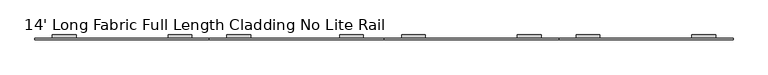
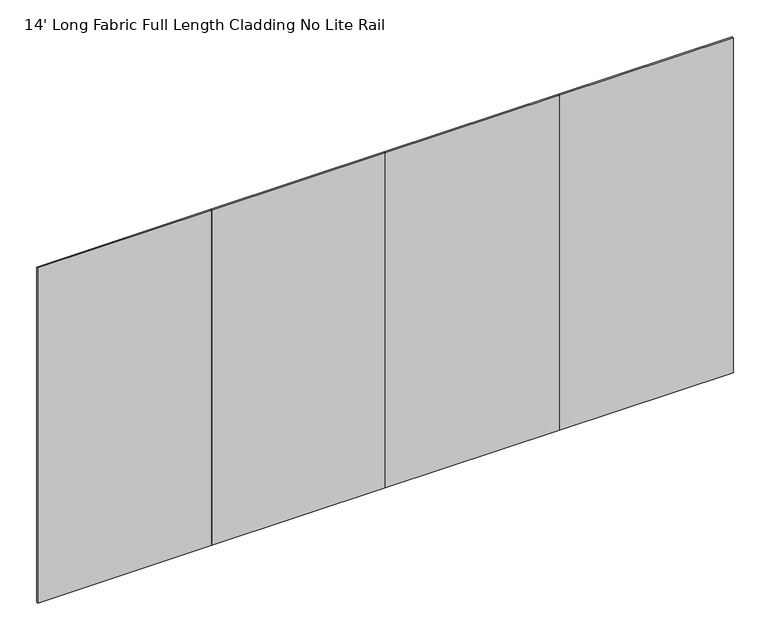
"""IFC4 building model written with IfcOpenShell, lengths in millimetres: furniture geometry, 14' Long Fabric Full Length Cladding No Lite Rail."""

from ifc_helpers import new_model, si_unit, frame, origin, place, context, project, spatial, polyline, outline, extrude, source, transform, mapped, element, save


def furniture_14_long_fabric_full_length_cladding_no_lite_rail_b571e47a(model_context):
    return source(origin(), model_context, "Body", "SweptSolid", [
        extrude(outline(polyline([(3200.4, -4.7752), (2133.6, -4.7752), (2133.6, 4.7498), (3200.4, 4.7498), (3200.4, -4.7752)])), frame((0.0, 0.0, 12.7), z_axis=(0.0, 0.0, 1.0), x_axis=(1.0, 0.0, 0.0)), (0.0, 0.0, 1.0), 2173.6010468),
        extrude(outline(polyline([(2133.6, -4.7752), (1066.8, -4.7752), (1066.8, 4.7498), (2133.6, 4.7498), (2133.6, -4.7752)])), frame((0.0, 0.0, 12.7), z_axis=(0.0, 0.0, 1.0), x_axis=(1.0, 0.0, 0.0)), (0.0, 0.0, 1.0), 2173.6010468),
        extrude(outline(polyline([(4267.2, -4.7752), (3200.4, -4.7752), (3200.4, 4.7498), (4267.2, 4.7498), (4267.2, -4.7752)])), frame((0.0, 0.0, 12.7), z_axis=(0.0, 0.0, 1.0), x_axis=(1.0, 0.0, 0.0)), (0.0, 0.0, 1.0), 2173.6010468),
        extrude(outline(polyline([(1066.8, -4.7752), (0.0, -4.7752), (0.0, 4.7498), (1066.8, 4.7498), (1066.8, -4.7752)])), frame((0.0, 0.0, 12.7), z_axis=(0.0, 0.0, 1.0), x_axis=(1.0, 0.0, 0.0)), (0.0, 0.0, 1.0), 2173.6010468),
        extrude(outline(polyline([(4.7498, 2116.3226334), (24.8177997, 2116.3226334), (24.8177997, 2115.4106251), (5.6618003, 2115.4106251), (5.6618003, 2083.5286322), (24.8177997, 2083.5286322), (24.8177997, 2079.4995474), (5.6618003, 2079.4995474), (5.6618003, 2013.998531), (4.7498, 2013.998531), (4.7498, 2116.3226334)])), frame((2240.6799829, 0.0, 0.0), z_axis=(1.0, 0.0, 0.0), x_axis=(0.0, 1.0, 0.0)), (0.0, 0.0, 1.0), 144.4200002),
        extrude(outline(polyline([(4.7498, 2116.3226334), (24.8177997, 2116.3226334), (24.8177997, 2115.4106251), (5.6618003, 2115.4106251), (5.6618003, 2083.5286322), (24.8177997, 2083.5286322), (24.8177997, 2079.4995474), (5.6618003, 2079.4995474), (5.6618003, 2013.998531), (4.7498, 2013.998531), (4.7498, 2116.3226334)])), frame((2948.900017, 0.0, 0.0), z_axis=(1.0, 0.0, 0.0), x_axis=(0.0, 1.0, 0.0)), (0.0, 0.0, 1.0), 144.4200002),
        extrude(outline(polyline([(4.7498, 2116.3226334), (24.8177997, 2116.3226334), (24.8177997, 2115.4106251), (5.6618003, 2115.4106251), (5.6618003, 2083.5286322), (24.8177997, 2083.5286322), (24.8177997, 2079.4995474), (5.6618003, 2079.4995474), (5.6618003, 2013.998531), (4.7498, 2013.998531), (4.7498, 2116.3226334)])), frame((3307.4799829, 0.0, 0.0), z_axis=(1.0, 0.0, 0.0), x_axis=(0.0, 1.0, 0.0)), (0.0, 0.0, 1.0), 144.4200002),
        extrude(outline(polyline([(4.7498, 2116.3226334), (24.8177997, 2116.3226334), (24.8177997, 2115.4106251), (5.6618003, 2115.4106251), (5.6618003, 2083.5286322), (24.8177997, 2083.5286322), (24.8177997, 2079.4995474), (5.6618003, 2079.4995474), (5.6618003, 2013.998531), (4.7498, 2013.998531), (4.7498, 2116.3226334)])), frame((1863.050017, 0.0, 0.0), z_axis=(1.0, 0.0, 0.0), x_axis=(0.0, 1.0, 0.0)), (0.0, 0.0, 1.0), 144.4200002),
        extrude(outline(polyline([(4.7498, 2116.3226334), (24.8177997, 2116.3226334), (24.8177997, 2115.4106251), (5.6618003, 2115.4106251), (5.6618003, 2083.5286322), (24.8177997, 2083.5286322), (24.8177997, 2079.4995474), (5.6618003, 2079.4995474), (5.6618003, 2013.998531), (4.7498, 2013.998531), (4.7498, 2116.3226334)])), frame((1173.8799829, 0.0, 0.0), z_axis=(1.0, 0.0, 0.0), x_axis=(0.0, 1.0, 0.0)), (0.0, 0.0, 1.0), 144.4200002),
        extrude(outline(polyline([(4.7498, 2116.3226334), (24.8177997, 2116.3226334), (24.8177997, 2115.4106251), (5.6618003, 2115.4106251), (5.6618003, 2083.5286322), (24.8177997, 2083.5286322), (24.8177997, 2079.4995474), (5.6618003, 2079.4995474), (5.6618003, 2013.998531), (4.7498, 2013.998531), (4.7498, 2116.3226334)])), frame((815.300017, 0.0, 0.0), z_axis=(1.0, 0.0, 0.0), x_axis=(0.0, 1.0, 0.0)), (0.0, 0.0, 1.0), 144.4200002),
        extrude(outline(polyline([(4.7498, 2116.3245525), (24.8177997, 2116.3245525), (24.8177997, 2115.4125443), (5.6618003, 2115.4125443), (5.6618003, 2083.5305513), (24.8177997, 2083.5305513), (24.8177997, 2079.5014665), (5.6618003, 2079.5014665), (5.6618003, 2013.9995483), (4.7498, 2013.9995483), (4.7498, 2116.3245525)])), frame((4015.700017, 0.0, 0.0), z_axis=(1.0, 0.0, 0.0), x_axis=(0.0, 1.0, 0.0)), (0.0, 0.0, 1.0), 144.4200002),
        extrude(outline(polyline([(4.7498, 2116.3226334), (24.8177997, 2116.3226334), (24.8177997, 2115.4106251), (5.6618003, 2115.4106251), (5.6618003, 2083.5286322), (24.8177997, 2083.5286322), (24.8177997, 2079.4995474), (5.6618003, 2079.4995474), (5.6618003, 2013.998531), (4.7498, 2013.998531), (4.7498, 2116.3226334)])), frame((107.0799829, 0.0, 0.0), z_axis=(1.0, 0.0, 0.0), x_axis=(0.0, 1.0, 0.0)), (0.0, 0.0, 1.0), 144.4200002),
    ])


if __name__ == "__main__":
    model = new_model("IFC4")
    model_context = context("Model", 3, world=origin())
    ifc_project = project(units=[si_unit("LENGTHUNIT", "METRE", prefix="MILLI")], contexts=[model_context])
    site = spatial("IfcSite", under=ifc_project)
    building = spatial("IfcBuilding", under=site)
    placement = place(None, origin())
    furniture_14_long_fabric_full_length_cladding_no_lite_rail_shape = furniture_14_long_fabric_full_length_cladding_no_lite_rail_b571e47a(model_context)
    element("IfcFurniture", 1, ObjectType="14' Long Fabric Full Length Cladding No Lite Rail", at=placement, inside=building, context=model_context, shape_type="MappedRepresentation", body=[
        mapped(furniture_14_long_fabric_full_length_cladding_no_lite_rail_shape, transform((0.0, 0.0, 0.0), x_axis=(1.0, 0.0, 0.0), y_axis=(0.0, 1.0, 0.0), z_axis=(0.0, 0.0, 1.0))),
    ])
    save(model, "model.ifc")
